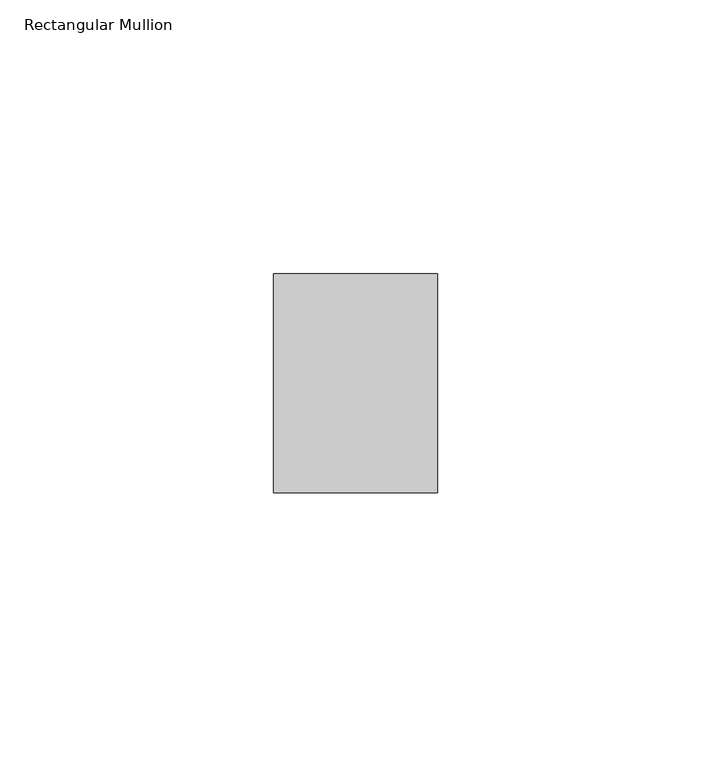
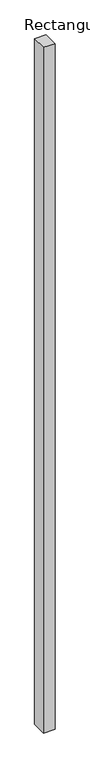
"""IFC4 building model written with IfcOpenShell, lengths in millimetres: member geometry, Rectangular Mullion."""

from ifc_helpers import new_model, si_unit, frame, origin, place, context, project, spatial, polyline, outline, extrude, source, transform, mapped, element, save


def rectangular_mullion_3286032e(model_context):
    return source(origin(), model_context, "Body", "SweptSolid", [
        extrude(outline(polyline([(0.0, 20.0), (0.0, -20.0), (-30.0, -20.0), (-30.0, 20.0), (0.0, 20.0)])), frame((0.0, 0.0, -1899.9999998), z_axis=(0.0, 0.0, 1.0), x_axis=(1.0, 0.0, 0.0)), (0.0, 0.0, 1.0), 1899.9999998),
    ])


if __name__ == "__main__":
    model = new_model("IFC4")
    model_context = context("Model", 3, world=origin())
    ifc_project = project(units=[si_unit("LENGTHUNIT", "METRE", prefix="MILLI")], contexts=[model_context])
    site = spatial("IfcSite", under=ifc_project)
    building = spatial("IfcBuilding", under=site)
    placement = place(None, origin())
    rectangular_mullion_shape = rectangular_mullion_3286032e(model_context)
    element("IfcMember", 1, ObjectType="Rectangular Mullion", at=placement, inside=building, context=model_context, shape_type="MappedRepresentation", body=[
        mapped(rectangular_mullion_shape, transform((0.0, 0.0, 0.0), x_axis=(1.0, 0.0, 0.0), y_axis=(0.0, 1.0, 0.0), z_axis=(0.0, 0.0, 1.0))),
    ])
    save(model, "model.ifc")
